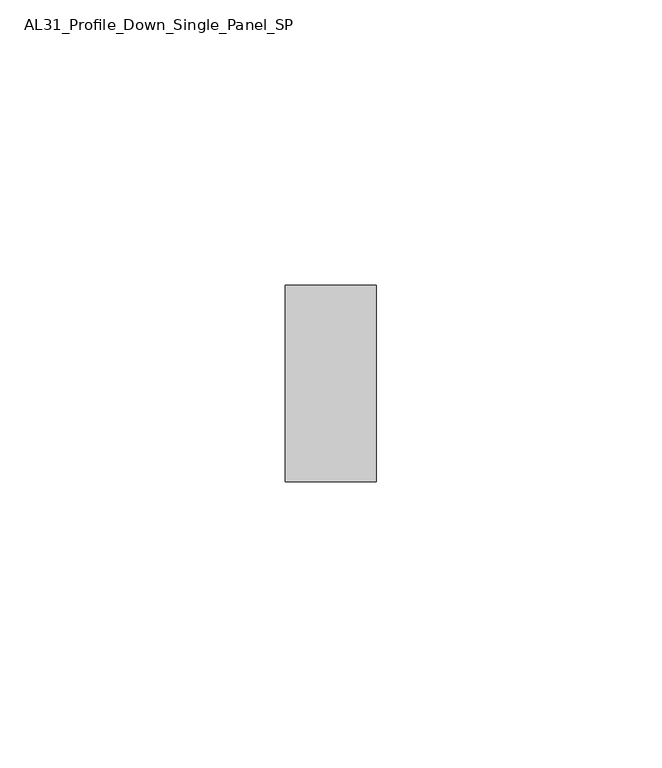
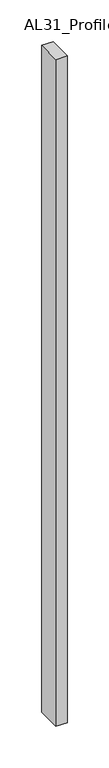
"""IFC4 building model written with IfcOpenShell, lengths in millimetres: member geometry, AL31_Profile_Down_Single_Panel_SP."""

import ifcopenshell
import ifcopenshell.guid

model = None  # the IFC model being written
_history = None  # IfcOwnerHistory: only IFC2X3 demands one
_inside = {}  # id of a spatial element -> (the spatial element, [elements in it])
_under = {}  # id of a project, library or spatial element -> (it, [spatial elements below it])
_declared = {}  # id of a project -> (the project, [libraries it declares])
_typed = {}  # id of a type object -> (the type object, [elements of that type])
_made_of = {}  # id of a material, layer set ... -> (it, [elements and type objects made of it])


def new_model(schema):
    """Start an empty IFC model of exactly this schema.

    Asked for "IFC4X3", IfcOpenShell would pick the latest addendum, in which some entities
    have other attributes; the version numbers below select the first issue.
    IFC2X3 requires an IfcOwnerHistory on every rooted entity: one is made here for all.
    """
    global model, _history
    if schema == "IFC4X3":
        model = ifcopenshell.file(schema_version=(4, 3, 0, 0))
    else:
        model = ifcopenshell.file(schema=schema)
    _inside.clear()
    _under.clear()
    _declared.clear()
    _typed.clear()
    _made_of.clear()
    _history = None
    if model.schema == "IFC2X3":
        org = make("IfcOrganization", Name="unknown")
        user = make(
            "IfcPersonAndOrganization",
            ThePerson=make("IfcPerson", FamilyName="unknown"),
            TheOrganization=org,
        )
        app = make(
            "IfcApplication",
            ApplicationDeveloper=org,
            Version="unknown",
            ApplicationFullName="unknown",
            ApplicationIdentifier="unknown",
        )
        _history = make(
            "IfcOwnerHistory",
            OwningUser=user,
            OwningApplication=app,
            ChangeAction="ADDED",
            CreationDate=0,
        )
    return model


def make(cls, **values):
    """One entity of the class cls with the attributes given. An attribute that is None is left unset."""
    return model.create_entity(
        cls, **{name: value for name, value in values.items() if value is not None}
    )


def rooted(cls, **values):
    """An entity with a GlobalId (a new one), such as an element, a storey or a relation."""
    return make(cls, GlobalId=ifcopenshell.guid.new(), OwnerHistory=_history, **values)


def si_unit(unit_type, name, prefix=None):
    """IfcSIUnit, for example si_unit("LENGTHUNIT", "METRE", prefix="MILLI")."""
    return make("IfcSIUnit", UnitType=unit_type, Prefix=prefix, Name=name)


def assignment(units):
    """IfcUnitAssignment: the units of a project."""
    return None if units is None else make("IfcUnitAssignment", Units=units)


def point(xyz):
    """IfcCartesianPoint."""
    return None if xyz is None else make("IfcCartesianPoint", Coordinates=xyz)


def direction(xyz):
    """IfcDirection."""
    return None if xyz is None else make("IfcDirection", DirectionRatios=xyz)


def frame(location, z_axis=None, x_axis=None):
    """IfcAxis2Placement3D, a coordinate frame: its origin and axes. An axis left out is left unset."""
    return make(
        "IfcAxis2Placement3D",
        Location=point(location),
        Axis=direction(z_axis),
        RefDirection=direction(x_axis),
    )


def origin():
    """The frame at (0, 0, 0) with its axes left unset."""
    return frame((0.0, 0.0, 0.0))


def place(relative_to, where):
    """IfcLocalPlacement: puts the frame where relative to a parent placement (None: the world)."""
    return make(
        "IfcLocalPlacement", PlacementRelTo=relative_to, RelativePlacement=where
    )


def context(
    kind, dimensions, precision=None, world=None, true_north=None, identifier=None
):
    """IfcGeometricRepresentationContext, for example the 3D "Model" context."""
    return make(
        "IfcGeometricRepresentationContext",
        ContextIdentifier=identifier,
        ContextType=kind,
        CoordinateSpaceDimension=dimensions,
        Precision=precision,
        WorldCoordinateSystem=world,
        TrueNorth=true_north,
    )


def project(units=None, contexts=None):
    """IfcProject with its units and contexts."""
    return rooted(
        "IfcProject",
        Name="project",
        RepresentationContexts=contexts,
        UnitsInContext=assignment(units),
    )


def spatial(cls, under=None, at=None, **own):
    """A site, building, storey or space (cls), placed at a placement, below another one or the project."""
    s = rooted(cls, ObjectPlacement=at, **own)
    if under is not None:
        _under.setdefault(under.id(), (under, []))[1].append(s)
    return s


def polyline(points):
    """IfcPolyline through the points."""
    return make("IfcPolyline", Points=[point(p) for p in points])


def outline(outer, holes=None, kind="AREA"):
    """IfcArbitraryClosedProfileDef: a profile drawn as a closed curve; with holes, ...WithVoids."""
    if holes is None:
        return make("IfcArbitraryClosedProfileDef", ProfileType=kind, OuterCurve=outer)
    return make(
        "IfcArbitraryProfileDefWithVoids",
        ProfileType=kind,
        OuterCurve=outer,
        InnerCurves=holes,
    )


def extrude(swept, where, along, depth):
    """IfcExtrudedAreaSolid: the profile swept, set in the frame where, extruded along a direction by depth."""
    return make(
        "IfcExtrudedAreaSolid",
        SweptArea=swept,
        Position=where,
        ExtrudedDirection=direction(along),
        Depth=depth,
    )


def shape(context_of_items, identifier, shape_type, items):
    """IfcShapeRepresentation: the items that make up one representation, for example the "Body"."""
    return make(
        "IfcShapeRepresentation",
        ContextOfItems=context_of_items,
        RepresentationIdentifier=identifier,
        RepresentationType=shape_type,
        Items=items,
    )


def source(mapping_origin, context_of_items, identifier, shape_type, items):
    """IfcRepresentationMap: a shape defined once, which mapped items show again and again."""
    return make(
        "IfcRepresentationMap",
        MappingOrigin=mapping_origin,
        MappedRepresentation=shape(context_of_items, identifier, shape_type, items),
    )


def transform(
    local_origin,
    x_axis=None,
    y_axis=None,
    z_axis=None,
    scale=None,
    scale2=None,
    scale3=None,
    uniform=True,
):
    """IfcCartesianTransformationOperator3D, or its non-uniform kind. x_axis, y_axis, z_axis: its Axis1, 2, 3."""
    if uniform:
        return make(
            "IfcCartesianTransformationOperator3D",
            Axis1=direction(x_axis),
            Axis2=direction(y_axis),
            LocalOrigin=point(local_origin),
            Scale=scale,
            Axis3=direction(z_axis),
        )
    return make(
        "IfcCartesianTransformationOperator3DnonUniform",
        Axis1=direction(x_axis),
        Axis2=direction(y_axis),
        LocalOrigin=point(local_origin),
        Scale=scale,
        Axis3=direction(z_axis),
        Scale2=scale2,
        Scale3=scale3,
    )


def mapped(mapping_source, mapping_target):
    """IfcMappedItem: shows the shape of a source again, moved by a transform."""
    return make(
        "IfcMappedItem", MappingSource=mapping_source, MappingTarget=mapping_target
    )


def made_of(thing, what):
    """Note that an element or type object is made of a material, layer set ...; save() writes the relation."""
    if what is not None:
        _made_of.setdefault(what.id(), (what, []))[1].append(thing)
    return thing


def element(
    cls,
    number,
    at=None,
    inside=None,
    cuts=None,
    type_object=None,
    material=None,
    context=None,
    identifier="Body",
    shape_type=None,
    held_by="IfcProductDefinitionShape",
    body=None,
    shapes=None,
    **own,
):
    """One element of the class cls, such as IfcWall. Its Tag is "e" and its number.

    at: its placement. inside: the storey or other place that contains it. cuts: it is an
    opening in that element (IfcRelVoidsElement). A single representation is given by context,
    identifier, shape_type and body (its items); several are given by shapes. held_by: the class
    of the entity that holds the representations. save() writes the other relations.
    """
    e = rooted(cls, Tag="e%d" % number, ObjectPlacement=at, **own)
    if body is not None:
        shapes = [shape(context, identifier, shape_type, body)]
    if shapes is not None:
        e.Representation = make(held_by, Representations=shapes)
    if inside is not None:
        _inside.setdefault(inside.id(), (inside, []))[1].append(e)
    if cuts is not None:
        rooted(
            "IfcRelVoidsElement", RelatingBuildingElement=cuts, RelatedOpeningElement=e
        )
    if type_object is not None:
        _typed.setdefault(type_object.id(), (type_object, []))[1].append(e)
    return made_of(e, material)


def aggregate(whole, parts):
    """IfcRelAggregates: a whole, such as a stair, and the parts it consists of."""
    return rooted("IfcRelAggregates", RelatingObject=whole, RelatedObjects=parts)


def save(model, path):
    """Write the relations noted so far, then the file.

    IfcRelAggregates (storeys below a building ...), IfcRelContainedInSpatialStructure (elements
    in a storey), IfcRelDefinesByType, IfcRelAssociatesMaterial and IfcRelDeclares: one each for
    every whole, place, type object, material and project.
    """
    for whole, parts in _under.values():
        aggregate(whole, parts)
    for where, things in _inside.values():
        rooted(
            "IfcRelContainedInSpatialStructure",
            RelatedElements=things,
            RelatingStructure=where,
        )
    for kind, things in _typed.values():
        rooted("IfcRelDefinesByType", RelatedObjects=things, RelatingType=kind)
    for what, things in _made_of.values():
        rooted("IfcRelAssociatesMaterial", RelatedObjects=things, RelatingMaterial=what)
    for by, libraries in _declared.values():
        rooted("IfcRelDeclares", RelatingContext=by, RelatedDefinitions=libraries)
    model.write(path)


def al31_profile_down_single_panel_sp_58b5b774(model_context):
    return source(origin(), model_context, "Body", "SweptSolid", [
        extrude(outline(polyline([(0.0, 17.25), (0.0, -17.25), (-16.0, -17.25), (-16.0, 17.25), (0.0, 17.25)])), frame((0.0, 0.0, -979.8), z_axis=(0.0, 0.0, 1.0), x_axis=(1.0, 0.0, 0.0)), (0.0, 0.0, 1.0), 979.8),
    ])


if __name__ == "__main__":
    model = new_model("IFC4")
    model_context = context("Model", 3, world=origin())
    ifc_project = project(units=[si_unit("LENGTHUNIT", "METRE", prefix="MILLI")], contexts=[model_context])
    site = spatial("IfcSite", under=ifc_project)
    building = spatial("IfcBuilding", under=site)
    placement = place(None, origin())
    al31_profile_down_single_panel_sp_shape = al31_profile_down_single_panel_sp_58b5b774(model_context)
    element("IfcMember", 1, ObjectType="AL31_Profile_Down_Single_Panel_SP", at=placement, inside=building, context=model_context, shape_type="MappedRepresentation", body=[
        mapped(al31_profile_down_single_panel_sp_shape, transform((0.0, 0.0, 0.0), x_axis=(1.0, 0.0, 0.0), y_axis=(0.0, 1.0, 0.0), z_axis=(0.0, 0.0, 1.0))),
    ])
    save(model, "model.ifc")
